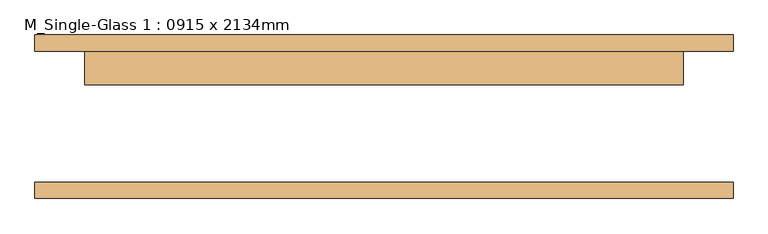
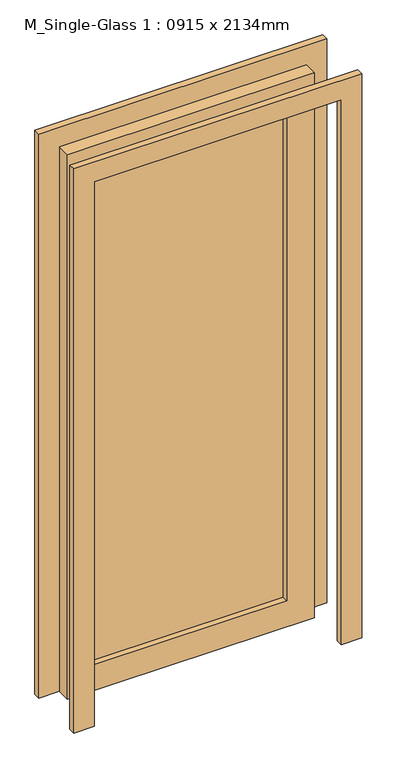
"""IFC4 building model written with IfcOpenShell, lengths in millimetres: door geometry, M_Single-Glass 1 : 0915 x 2134mm."""

from ifc_helpers import new_model, si_unit, frame, origin, place, context, project, spatial, polyline, outline, extrude, source, transform, mapped, element, save


def m_single_glass_1_0915_x_2134mm_dbca7c3d(model_context):
    return source(origin(), model_context, "Body", "SweptSolid", [
        extrude(outline(polyline([(2134.0, 457.5), (0.0, 457.5), (0.0, 533.5), (2210.0, 533.5), (2210.0, -533.5), (0.0, -533.5), (0.0, -457.5), (2134.0, -457.5), (2134.0, 457.5)])), frame((0.0, -125.0, 0.0), z_axis=(0.0, 1.0, 0.0), x_axis=(0.0, 0.0, 1.0)), (0.0, 0.0, 1.0), 25.0),
        extrude(outline(polyline([(2134.0, 457.5), (0.0, 457.5), (0.0, 533.5), (2210.0, 533.5), (2210.0, -533.5), (0.0, -533.5), (0.0, -457.5), (2134.0, -457.5), (2134.0, 457.5)])), frame((0.0, 100.0, 0.0), z_axis=(0.0, 1.0, 0.0), x_axis=(0.0, 0.0, 1.0)), (0.0, 0.0, 1.0), 25.0),
        extrude(outline(polyline([(355.5, 71.425), (-355.5, 71.425), (-355.5, 77.775), (355.5, 77.775), (355.5, 71.425)])), frame((0.0, 0.0, 102.0), z_axis=(0.0, 0.0, 1.0), x_axis=(1.0, 0.0, 0.0)), (0.0, 0.0, 1.0), 1930.0),
        extrude(outline(polyline([(2134.0, 457.5), (2134.0, -457.5), (0.0, -457.5), (0.0, 457.5), (2134.0, 457.5)]), holes=[polyline([(2032.0, -355.5), (2032.0, 355.5), (102.0, 355.5), (102.0, -355.5), (2032.0, -355.5)])]), frame((0.0, 49.0, 0.0), z_axis=(0.0, 1.0, 0.0), x_axis=(0.0, 0.0, 1.0)), (0.0, 0.0, 1.0), 51.0),
    ])


if __name__ == "__main__":
    model = new_model("IFC4")
    model_context = context("Model", 3, world=origin())
    ifc_project = project(units=[si_unit("LENGTHUNIT", "METRE", prefix="MILLI")], contexts=[model_context])
    site = spatial("IfcSite", under=ifc_project)
    building = spatial("IfcBuilding", under=site)
    placement = place(None, origin())
    m_single_glass_1_0915_x_2134mm_shape = m_single_glass_1_0915_x_2134mm_dbca7c3d(model_context)
    element("IfcDoor", 1, ObjectType="M_Single-Glass 1 : 0915 x 2134mm", at=placement, inside=building, context=model_context, shape_type="MappedRepresentation", body=[
        mapped(m_single_glass_1_0915_x_2134mm_shape, transform((0.0, 0.0, 0.0), x_axis=(1.0, 0.0, 0.0), y_axis=(0.0, 1.0, 0.0), z_axis=(0.0, 0.0, 1.0))),
    ])
    save(model, "model.ifc")
